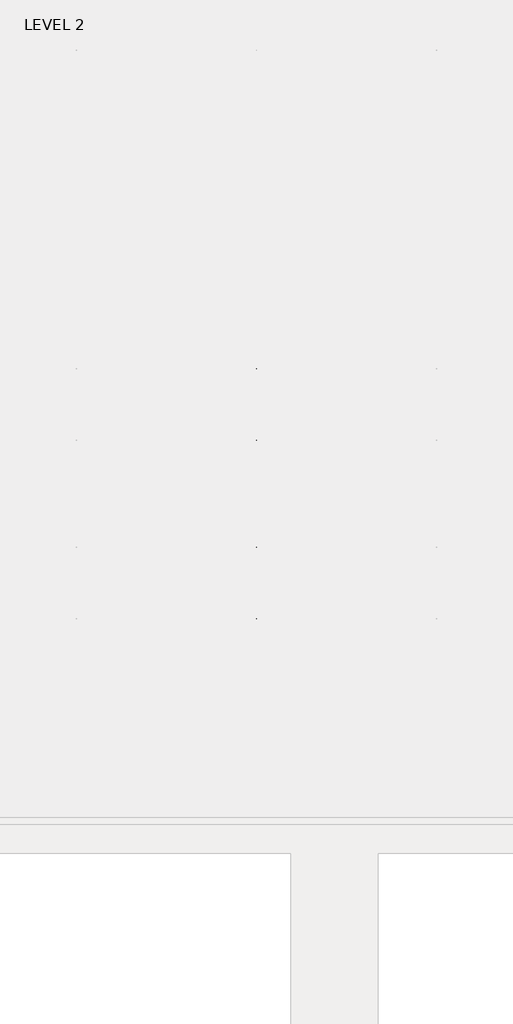
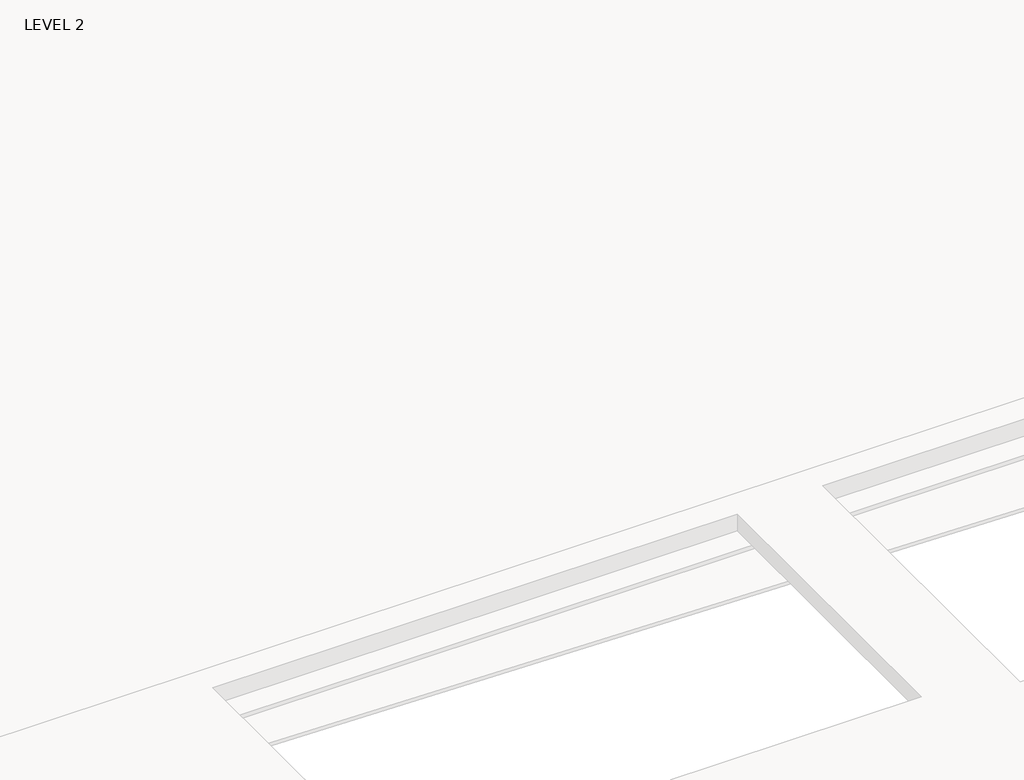
# One storey, part 54 of 67: 1 beam.
"""IFC4 building model written with IfcOpenShell, lengths in millimetres."""

from ifc_helpers import new_model, si_unit, frame, origin, place, context, project, spatial, polyline, outline, extrude, faceted_brep, element, save

model = new_model("IFC4")

# Units and contexts
model_context = context("Model", 3, world=origin())
ifc_project = project(units=[si_unit("LENGTHUNIT", "METRE", prefix="MILLI")], contexts=[model_context])

# Site, building, storey
site = spatial("IfcSite", under=ifc_project)
building = spatial("IfcBuilding", under=site)
storey = spatial("IfcBuildingStorey", under=building, Name="LEVEL 2", Elevation=6908.8)

# Beam
placement = place(None, origin())
element("IfcBeam", 1, ObjectType="K-Series Bar Joist-Angle Web : 12K3", at=placement, inside=storey, context=model_context, shape_type="SolidModel", body=[
    extrude(outline(polyline([(0.0, -9.525), (0.0, 0.0), (573.7533355, 0.0), (573.7533355, -9.525), (0.0, -9.525)])), frame((53750.3201342, -9604.1227945, 6274.1671734), z_axis=(0.0, -0.48308851527800273, 0.8755715198694479), x_axis=(0.0, -0.8755715198694479, -0.48308851527800273)), (0.0, 0.0, 1.0), 9.525),
    extrude(outline(polyline([(0.0, -9.525), (0.0, 0.0), (573.7533355, 0.0), (573.7533355, -9.525), (0.0, -9.525)])), frame((53740.7951342, -14433.5123055, 6174.0312759), z_axis=(0.0, 0.44637950228858414, 0.894843751688861), x_axis=(0.0, 0.894843751688861, -0.44637950228858414)), (0.0, 0.0, 1.0), 9.525),
    extrude(outline(polyline([(4.7625, 4.7625), (4.7625, -4.7625), (-4.7625, -4.7625), (-4.7625, 4.7625), (4.7625, 4.7625)])), frame((53745.5576342, -10108.7855836, 6001.1634358), z_axis=(0.0, 0.5271021201119526, 0.8498019504410923), x_axis=(-1.0, 0.0, 0.0)), (0.0, 0.0, 1.0), 317.9950191),
    extrude(outline(polyline([(4.7625, 4.7625), (4.7625, -4.7625001), (-4.7625, -4.7625001), (-4.7625, 4.7625), (4.7625, 4.7625)])), frame((53745.5576342, -13917.9668359, 5922.1812409), z_axis=(0.0, -0.5618747002661082, 0.8272223529383567), x_axis=(-1.0, 0.0, 0.0)), (0.0, 0.0, 1.0), 317.9950191),
    extrude(outline(polyline([(0.0, 0.0), (31.75, 0.0), (31.75, -6.35), (6.35, -6.35), (6.35, -31.75), (0.0, -31.75), (0.0, 0.0)])), frame((53750.3201342, -14019.4133656, 5913.7264136), z_axis=(0.0, 0.9997851055909517, 0.020730234887470715), x_axis=(1.0, 0.0, 0.0)), (0.0, 0.0, 1.0), 4013.2),
    extrude(outline(polyline([(-9.525, 0.0), (-9.525, -31.75), (-15.875, -31.75), (-15.875, -6.35), (-41.275, -6.35), (-41.275, 0.0), (-9.525, 0.0)])), frame((53750.3201342, -14019.4133656, 5913.7264136), z_axis=(0.0, 0.9997851055909517, 0.020730234887470715), x_axis=(1.0, 0.0, 0.0)), (0.0, 0.0, 1.0), 4013.2),
    extrude(outline(polyline([(-31.75, 0.0), (0.0, 0.0), (0.0, -6.35), (-25.4, -6.35), (-25.4, -31.75), (-31.75, -31.75), (-31.75, 0.0)])), frame((53782.0701342, -14532.3064049, 6144.4436003), z_axis=(0.0, 0.9997851055909517, 0.020730234887470715), x_axis=(1.0, 0.0, 0.0)), (0.0, 0.0, 1.0), 101.6),
    extrude(outline(polyline([(-41.275, 0.0), (-41.275, -31.75), (-47.625, -31.75), (-47.625, -6.35), (-73.025, -6.35), (-73.025, 0.0), (-41.275, 0.0)])), frame((53782.0701342, -14532.3064049, 6144.4436003), z_axis=(0.0, 0.9997851055909517, 0.020730234887470715), x_axis=(1.0, 0.0, 0.0)), (0.0, 0.0, 1.0), 101.6),
    extrude(outline(polyline([(0.0, 0.0), (31.75, 0.0), (31.75, -6.35), (6.35, -6.35), (6.35, -31.75), (0.0, -31.75), (0.0, 0.0)])), frame((53740.7951342, -9605.7653186, 6246.5939057), z_axis=(0.0, 0.9997851055909517, 0.020730234887470715), x_axis=(0.0, -0.020730234887470715, 0.9997851055909517)), (0.0, 0.0, 1.0), 101.6),
    extrude(outline(polyline([(0.0, 41.275), (6.35, 41.275), (6.35, 15.875), (31.75, 15.875), (31.75, 9.525), (0.0, 9.525), (0.0, 41.275)])), frame((53740.7951342, -9605.7653186, 6246.5939057), z_axis=(0.0, 0.9997851055909517, 0.020730234887470715), x_axis=(0.0, -0.020730234887470715, 0.9997851055909517)), (0.0, 0.0, 1.0), 101.6),
    extrude(outline(polyline([(0.0, 0.0), (31.75, 0.0), (31.75, -6.35), (6.35, -6.35), (6.35, -31.75), (0.0, -31.75), (0.0, 0.0)])), frame((53750.3201342, -14533.6227748, 6207.9299545), z_axis=(0.0, 0.9997851055909517, 0.020730234887470715), x_axis=(0.0, 0.020730234887470715, -0.9997851055909517)), (0.0, 0.0, 1.0), 5029.2),
    extrude(outline(polyline([(0.0, 9.525), (0.0, 41.275), (6.35, 41.275), (6.35, 15.875), (31.75, 15.875), (31.75, 9.525), (0.0, 9.525)])), frame((53750.3201342, -14533.6227748, 6207.9299545), z_axis=(0.0, 0.9997851055909517, 0.020730234887470715), x_axis=(0.0, 0.020730234887470715, -0.9997851055909517)), (0.0, 0.0, 1.0), 5029.2),
    faceted_brep([(53745.5576342, -10109.114676, 6017.0350244), (53745.5576342, -10108.7197651, 5997.9891181), (53740.7951342, -10108.7197651, 5997.9891181), (53740.7951342, -10109.114676, 6017.0350244), (53745.5576342, -10109.9510625, 6017.0176822), (53745.5576342, -10276.1904217, 6293.0308149), (53745.5576342, -10294.3999415, 6292.6532461), (53745.5576342, -10294.0050305, 6273.6073399), (53745.5576342, -10286.8200086, 6273.7563191), (53745.5576342, -10120.5806494, 5997.7431863), (53740.7951342, -10120.5806494, 5997.7431863), (53740.7951342, -10141.3605693, 6032.2448279), (53740.7951342, -10137.2808829, 6034.7019736), (53740.7951342, -10273.294904, 6260.5309003), (53740.7951342, -10277.3745905, 6258.0737547), (53740.7951342, -10286.8200086, 6273.7563191), (53740.7951342, -10294.0050305, 6273.6073399), (53740.7951342, -10294.3999415, 6292.6532461), (53740.7951342, -10276.1904217, 6293.0308149), (53740.7951342, -10109.9510625, 6017.0176822), (53728.0951342, -10277.3745905, 6258.0737547), (53728.0951342, -10141.3605693, 6032.2448279), (53728.0951342, -10137.2808829, 6034.7019736), (53728.0951342, -10273.294904, 6260.5309003)], [[[0, 1, 2, 3]], [[1, 0, 4, 5, 6, 7, 8, 9]], [[2, 1, 9, 10]], [[3, 2, 10, 11, 12, 13, 14, 15, 16, 17, 18, 19]], [[0, 3, 19, 4]], [[9, 8, 15, 14, 20, 21, 11, 10]], [[5, 4, 19, 18]], [[7, 6, 17, 16]], [[8, 7, 16, 15]], [[6, 5, 18, 17]], [[21, 22, 12, 11]], [[20, 14, 13, 23]], [[22, 21, 20, 23]], [[12, 22, 23, 13]]]),
    extrude(outline(polyline([(-10455.0089698, 5990.8089186), (-10455.4038808, 6009.8548248), (-10454.5674943, 6009.872167), (-10299.9121904, 6292.5389513), (-10281.7026706, 6292.9165201), (-10281.3077596, 6273.8706138), (-10288.4927815, 6273.7216346), (-10443.1480854, 5991.0548503), (-10455.0089698, 5990.8089186)])), frame((53745.5576342, 0.0, 0.0), z_axis=(1.0, 0.0, 0.0), x_axis=(0.0, 1.0, 0.0)), (0.0, 0.0, 1.0), 4.7625),
    extrude(outline(polyline([(-4.7625, 4.7625), (-4.7625, 0.0), (-17.4625, 0.0), (-17.4625, 4.7625), (-4.7625, 4.7625)])), frame((53745.5576342, -10423.8161725, 6026.3881984), z_axis=(0.0, 0.4799841217599757, 0.8772771756168657), x_axis=(-1.0, 0.0, 0.0)), (0.0, 0.0, 1.0), 263.6257159),
    faceted_brep([(53745.5576342, -13572.0067236, 5945.233029), (53745.5576342, -13571.6118126, 5926.1871227), (53740.7951342, -13571.6118126, 5926.1871227), (53740.7951342, -13572.0067236, 5945.233029), (53745.5576342, -13572.8431101, 5945.2156868), (53745.5576342, -13739.0824692, 6221.2288195), (53745.5576342, -13757.291989, 6220.8512507), (53745.5576342, -13756.897078, 6201.8053445), (53745.5576342, -13749.7120561, 6201.9543237), (53745.5576342, -13583.472697, 5925.941191), (53740.7951342, -13583.472697, 5925.941191), (53740.7951342, -13604.2526169, 5960.4428325), (53740.7951342, -13600.1729304, 5962.8999782), (53740.7951342, -13736.1869515, 6188.7289049), (53740.7951342, -13740.266638, 6186.2717593), (53740.7951342, -13749.7120561, 6201.9543237), (53740.7951342, -13756.897078, 6201.8053445), (53740.7951342, -13757.291989, 6220.8512507), (53740.7951342, -13739.0824692, 6221.2288195), (53740.7951342, -13572.8431101, 5945.2156868), (53728.0951342, -13740.266638, 6186.2717593), (53728.0951342, -13604.2526169, 5960.4428325), (53728.0951342, -13600.1729304, 5962.8999782), (53728.0951342, -13736.1869515, 6188.7289049)], [[[0, 1, 2, 3]], [[1, 0, 4, 5, 6, 7, 8, 9]], [[2, 1, 9, 10]], [[3, 2, 10, 11, 12, 13, 14, 15, 16, 17, 18, 19]], [[0, 3, 19, 4]], [[9, 8, 15, 14, 20, 21, 11, 10]], [[5, 4, 19, 18]], [[7, 6, 17, 16]], [[8, 7, 16, 15]], [[6, 5, 18, 17]], [[21, 22, 12, 11]], [[20, 14, 13, 23]], [[22, 21, 20, 23]], [[12, 22, 23, 13]]]),
    extrude(outline(polyline([(-13917.9010174, 5919.0069232), (-13918.2959283, 5938.0528295), (-13917.4595419, 5938.0701717), (-13762.804238, 6220.736956), (-13744.5947182, 6221.1145247), (-13744.1998072, 6202.0686185), (-13751.3848291, 6201.9196392), (-13906.040133, 5919.252855), (-13917.9010174, 5919.0069232)])), frame((53745.5576342, 0.0, 0.0), z_axis=(1.0, 0.0, 0.0), x_axis=(0.0, 1.0, 0.0)), (0.0, 0.0, 1.0), 4.7625),
    extrude(outline(polyline([(-4.7625, 4.7625001), (-4.7625, 0.0), (-17.4625, 0.0), (-17.4625, 4.7625001), (-4.7625, 4.7625001)])), frame((53745.5576342, -13886.70822, 5954.586203), z_axis=(0.0, 0.4799841217599757, 0.8772771756168657), x_axis=(-1.0, 0.0, 0.0)), (0.0, 0.0, 1.0), 263.6257159),
    faceted_brep([(53745.5576342, -10455.4038808, 6009.8548248), (53745.5576342, -10455.0089698, 5990.8089186), (53740.7951342, -10455.0089698, 5990.8089186), (53740.7951342, -10455.4038808, 6009.8548248), (53745.5576342, -10456.2402673, 6009.8374826), (53745.5576342, -10622.4796264, 6285.8506153), (53745.5576342, -10640.6891462, 6285.4730466), (53745.5576342, -10640.2942352, 6266.4271403), (53745.5576342, -10633.1092134, 6266.5761195), (53745.5576342, -10466.8698542, 5990.5629868), (53740.7951342, -10466.8698542, 5990.5629868), (53740.7951342, -10487.6497741, 6025.0646284), (53740.7951342, -10483.5700876, 6027.521774), (53740.7951342, -10619.5841088, 6253.3507008), (53740.7951342, -10623.6637952, 6250.8935552), (53740.7951342, -10633.1092134, 6266.5761195), (53740.7951342, -10640.2942352, 6266.4271403), (53740.7951342, -10640.6891462, 6285.4730466), (53740.7951342, -10622.4796264, 6285.8506153), (53740.7951342, -10456.2402673, 6009.8374826), (53728.0951342, -10623.6637952, 6250.8935552), (53728.0951342, -10487.6497741, 6025.0646284), (53728.0951342, -10483.5700876, 6027.521774), (53728.0951342, -10619.5841088, 6253.3507008)], [[[0, 1, 2, 3]], [[1, 0, 4, 5, 6, 7, 8, 9]], [[2, 1, 9, 10]], [[3, 2, 10, 11, 12, 13, 14, 15, 16, 17, 18, 19]], [[0, 3, 19, 4]], [[9, 8, 15, 14, 20, 21, 11, 10]], [[5, 4, 19, 18]], [[7, 6, 17, 16]], [[8, 7, 16, 15]], [[6, 5, 18, 17]], [[21, 22, 12, 11]], [[20, 14, 13, 23]], [[22, 21, 20, 23]], [[12, 22, 23, 13]]]),
    extrude(outline(polyline([(-10801.2981746, 5983.628719), (-10801.6930855, 6002.6746253), (-10800.8566991, 6002.6919675), (-10646.2013952, 6285.3587518), (-10627.9918754, 6285.7363206), (-10627.5969644, 6266.6904143), (-10634.7819863, 6266.5414351), (-10789.4372902, 5983.8746508), (-10801.2981746, 5983.628719)])), frame((53745.5576342, 0.0, 0.0), z_axis=(1.0, 0.0, 0.0), x_axis=(0.0, 1.0, 0.0)), (0.0, 0.0, 1.0), 4.7625),
    extrude(outline(polyline([(-4.7625, 4.7625001), (-4.7625, 0.0), (-17.4625, 0.0), (-17.4625, 4.7625001), (-4.7625, 4.7625001)])), frame((53745.5576342, -10770.1053772, 6019.2079988), z_axis=(0.0, 0.4799841217599757, 0.8772771756168657), x_axis=(-1.0, 0.0, 0.0)), (0.0, 0.0, 1.0), 263.6257159),
    faceted_brep([(53745.5576342, -10801.6930855, 6002.6746253), (53745.5576342, -10801.2981746, 5983.628719), (53740.7951342, -10801.2981746, 5983.628719), (53740.7951342, -10801.6930855, 6002.6746253), (53745.5576342, -10802.529472, 6002.6572831), (53745.5576342, -10968.7688312, 6278.6704158), (53745.5576342, -10986.978351, 6278.292847), (53745.5576342, -10986.58344, 6259.2469408), (53745.5576342, -10979.3984181, 6259.39592), (53745.5576342, -10813.1590589, 5983.3827873), (53740.7951342, -10813.1590589, 5983.3827873), (53740.7951342, -10833.9389788, 6017.8844289), (53740.7951342, -10829.8592924, 6020.3415745), (53740.7951342, -10965.8733135, 6246.1705013), (53740.7951342, -10969.953, 6243.7133556), (53740.7951342, -10979.3984181, 6259.39592), (53740.7951342, -10986.58344, 6259.2469408), (53740.7951342, -10986.978351, 6278.292847), (53740.7951342, -10968.7688312, 6278.6704158), (53740.7951342, -10802.529472, 6002.6572831), (53728.0951342, -10969.953, 6243.7133556), (53728.0951342, -10833.9389788, 6017.8844289), (53728.0951342, -10829.8592924, 6020.3415745), (53728.0951342, -10965.8733135, 6246.1705013)], [[[0, 1, 2, 3]], [[1, 0, 4, 5, 6, 7, 8, 9]], [[2, 1, 9, 10]], [[3, 2, 10, 11, 12, 13, 14, 15, 16, 17, 18, 19]], [[0, 3, 19, 4]], [[9, 8, 15, 14, 20, 21, 11, 10]], [[5, 4, 19, 18]], [[7, 6, 17, 16]], [[8, 7, 16, 15]], [[6, 5, 18, 17]], [[21, 22, 12, 11]], [[20, 14, 13, 23]], [[22, 21, 20, 23]], [[12, 22, 23, 13]]]),
    extrude(outline(polyline([(-11147.5873793, 5976.4485195), (-11147.9822903, 5995.4944258), (-11147.1459038, 5995.511768), (-10992.4905999, 6278.1785523), (-10974.2810801, 6278.556121), (-10973.8861692, 6259.5102148), (-10981.071191, 6259.3612356), (-11135.726495, 5976.6944513), (-11147.5873793, 5976.4485195)])), frame((53745.5576342, 0.0, 0.0), z_axis=(1.0, 0.0, 0.0), x_axis=(0.0, 1.0, 0.0)), (0.0, 0.0, 1.0), 4.7625),
    extrude(outline(polyline([(-4.7625, 4.7625), (-4.7625, 0.0), (-17.4625, 0.0), (-17.4625, 4.7625), (-4.7625, 4.7625)])), frame((53745.5576342, -11116.394582, 6012.0277993), z_axis=(0.0, 0.4799841217599757, 0.8772771756168657), x_axis=(-1.0, 0.0, 0.0)), (0.0, 0.0, 1.0), 263.6257159),
    faceted_brep([(53745.5576342, -11147.9822903, 5995.4944258), (53745.5576342, -11147.5873793, 5976.4485195), (53740.7951342, -11147.5873793, 5976.4485195), (53740.7951342, -11147.9822903, 5995.4944258), (53745.5576342, -11148.8186768, 5995.4770835), (53745.5576342, -11315.0580359, 6271.4902163), (53745.5576342, -11333.2675557, 6271.1126475), (53745.5576342, -11332.8726448, 6252.0667412), (53745.5576342, -11325.6876229, 6252.2157204), (53745.5576342, -11159.4482637, 5976.2025877), (53740.7951342, -11159.4482637, 5976.2025877), (53740.7951342, -11180.2281836, 6010.7042293), (53740.7951342, -11176.1484971, 6013.1613749), (53740.7951342, -11312.1625183, 6238.9903017), (53740.7951342, -11316.2422047, 6236.5331561), (53740.7951342, -11325.6876229, 6252.2157204), (53740.7951342, -11332.8726448, 6252.0667412), (53740.7951342, -11333.2675557, 6271.1126475), (53740.7951342, -11315.0580359, 6271.4902163), (53740.7951342, -11148.8186768, 5995.4770835), (53728.0951342, -11316.2422047, 6236.5331561), (53728.0951342, -11180.2281836, 6010.7042293), (53728.0951342, -11176.1484971, 6013.1613749), (53728.0951342, -11312.1625183, 6238.9903017)], [[[0, 1, 2, 3]], [[1, 0, 4, 5, 6, 7, 8, 9]], [[2, 1, 9, 10]], [[3, 2, 10, 11, 12, 13, 14, 15, 16, 17, 18, 19]], [[0, 3, 19, 4]], [[9, 8, 15, 14, 20, 21, 11, 10]], [[5, 4, 19, 18]], [[7, 6, 17, 16]], [[8, 7, 16, 15]], [[6, 5, 18, 17]], [[21, 22, 12, 11]], [[20, 14, 13, 23]], [[22, 21, 20, 23]], [[12, 22, 23, 13]]]),
    extrude(outline(polyline([(-11493.8765841, 5969.26832), (-11494.2714951, 5988.3142262), (-11493.4351086, 5988.3315684), (-11338.7798047, 6270.9983527), (-11320.5702849, 6271.3759215), (-11320.1753739, 6252.3300152), (-11327.3603958, 6252.181036), (-11482.0156997, 5969.5142517), (-11493.8765841, 5969.26832)])), frame((53745.5576342, 0.0, 0.0), z_axis=(1.0, 0.0, 0.0), x_axis=(0.0, 1.0, 0.0)), (0.0, 0.0, 1.0), 4.7625),
    extrude(outline(polyline([(-4.7625, 4.7625), (-4.7625, 0.0), (-17.4625, 0.0), (-17.4625, 4.7625), (-4.7625, 4.7625)])), frame((53745.5576342, -11462.6837867, 6004.8475998), z_axis=(0.0, 0.4799841217599757, 0.8772771756168657), x_axis=(-1.0, 0.0, 0.0)), (0.0, 0.0, 1.0), 263.6257159),
    faceted_brep([(53745.5576342, -11494.2714951, 5988.3142262), (53745.5576342, -11493.8765841, 5969.26832), (53740.7951342, -11493.8765841, 5969.26832), (53740.7951342, -11494.2714951, 5988.3142262), (53745.5576342, -11495.1078815, 5988.296884), (53745.5576342, -11661.3472407, 6264.3100167), (53745.5576342, -11679.5567605, 6263.932448), (53745.5576342, -11679.1618495, 6244.8865417), (53745.5576342, -11671.9768276, 6245.0355209), (53745.5576342, -11505.7374685, 5969.0223882), (53740.7951342, -11505.7374685, 5969.0223882), (53740.7951342, -11526.5173883, 6003.5240298), (53740.7951342, -11522.4377019, 6005.9811754), (53740.7951342, -11658.451723, 6231.8101022), (53740.7951342, -11662.5314095, 6229.3529565), (53740.7951342, -11671.9768276, 6245.0355209), (53740.7951342, -11679.1618495, 6244.8865417), (53740.7951342, -11679.5567605, 6263.932448), (53740.7951342, -11661.3472407, 6264.3100167), (53740.7951342, -11495.1078815, 5988.296884), (53728.0951342, -11662.5314095, 6229.3529565), (53728.0951342, -11526.5173883, 6003.5240298), (53728.0951342, -11522.4377019, 6005.9811754), (53728.0951342, -11658.451723, 6231.8101022)], [[[0, 1, 2, 3]], [[1, 0, 4, 5, 6, 7, 8, 9]], [[2, 1, 9, 10]], [[3, 2, 10, 11, 12, 13, 14, 15, 16, 17, 18, 19]], [[0, 3, 19, 4]], [[9, 8, 15, 14, 20, 21, 11, 10]], [[5, 4, 19, 18]], [[7, 6, 17, 16]], [[8, 7, 16, 15]], [[6, 5, 18, 17]], [[21, 22, 12, 11]], [[20, 14, 13, 23]], [[22, 21, 20, 23]], [[12, 22, 23, 13]]]),
    extrude(outline(polyline([(-11840.1657888, 5962.0881204), (-11840.5606998, 5981.1340267), (-11839.7243133, 5981.1513689), (-11685.0690094, 6263.8181532), (-11666.8594896, 6264.1957219), (-11666.4645787, 6245.1498157), (-11673.6496006, 6245.0008365), (-11828.3049045, 5962.3340522), (-11840.1657888, 5962.0881204)])), frame((53745.5576342, 0.0, 0.0), z_axis=(1.0, 0.0, 0.0), x_axis=(0.0, 1.0, 0.0)), (0.0, 0.0, 1.0), 4.7625),
    extrude(outline(polyline([(-4.7625, 4.7625), (-4.7625, 0.0), (-17.4625, 0.0), (-17.4625, 4.7625), (-4.7625, 4.7625)])), frame((53745.5576342, -11808.9729915, 5997.6674002), z_axis=(0.0, 0.4799841217599757, 0.8772771756168657), x_axis=(-1.0, 0.0, 0.0)), (0.0, 0.0, 1.0), 263.6257159),
    faceted_brep([(53745.5576342, -11840.5606998, 5981.1340267), (53745.5576342, -11840.1657888, 5962.0881204), (53740.7951342, -11840.1657888, 5962.0881204), (53740.7951342, -11840.5606998, 5981.1340267), (53745.5576342, -11841.3970863, 5981.1166845), (53745.5576342, -12007.6364454, 6257.1298172), (53745.5576342, -12025.8459652, 6256.7522484), (53745.5576342, -12025.4510543, 6237.7063422), (53745.5576342, -12018.2660324, 6237.8553214), (53745.5576342, -11852.0266732, 5961.8421887), (53740.7951342, -11852.0266732, 5961.8421887), (53740.7951342, -11872.8065931, 5996.3438302), (53740.7951342, -11868.7269066, 5998.8009759), (53740.7951342, -12004.7409278, 6224.6299026), (53740.7951342, -12008.8206142, 6222.172757), (53740.7951342, -12018.2660324, 6237.8553214), (53740.7951342, -12025.4510543, 6237.7063422), (53740.7951342, -12025.8459652, 6256.7522484), (53740.7951342, -12007.6364454, 6257.1298172), (53740.7951342, -11841.3970863, 5981.1166845), (53728.0951342, -12008.8206142, 6222.172757), (53728.0951342, -11872.8065931, 5996.3438302), (53728.0951342, -11868.7269066, 5998.8009759), (53728.0951342, -12004.7409278, 6224.6299026)], [[[0, 1, 2, 3]], [[1, 0, 4, 5, 6, 7, 8, 9]], [[2, 1, 9, 10]], [[3, 2, 10, 11, 12, 13, 14, 15, 16, 17, 18, 19]], [[0, 3, 19, 4]], [[9, 8, 15, 14, 20, 21, 11, 10]], [[5, 4, 19, 18]], [[7, 6, 17, 16]], [[8, 7, 16, 15]], [[6, 5, 18, 17]], [[21, 22, 12, 11]], [[20, 14, 13, 23]], [[22, 21, 20, 23]], [[12, 22, 23, 13]]]),
    extrude(outline(polyline([(-12186.4549936, 5954.9079209), (-12186.8499046, 5973.9538271), (-12186.0135181, 5973.9711694), (-12031.3582142, 6256.6379536), (-12013.1486944, 6257.0155224), (-12012.7537834, 6237.9696161), (-12019.9388053, 6237.8206369), (-12174.5941092, 5955.1538527), (-12186.4549936, 5954.9079209)])), frame((53745.5576342, 0.0, 0.0), z_axis=(1.0, 0.0, 0.0), x_axis=(0.0, 1.0, 0.0)), (0.0, 0.0, 1.0), 4.7625),
    extrude(outline(polyline([(-4.7625, 4.7625001), (-4.7625, 0.0), (-17.4625, 0.0), (-17.4625, 4.7625001), (-4.7625, 4.7625001)])), frame((53745.5576342, -12155.2621962, 5990.4872007), z_axis=(0.0, 0.4799841217599757, 0.8772771756168657), x_axis=(-1.0, 0.0, 0.0)), (0.0, 0.0, 1.0), 263.6257159),
    faceted_brep([(53745.5576342, -12186.8499046, 5973.9538271), (53745.5576342, -12186.4549936, 5954.9079209), (53740.7951342, -12186.4549936, 5954.9079209), (53740.7951342, -12186.8499046, 5973.9538271), (53745.5576342, -12187.686291, 5973.9364849), (53745.5576342, -12353.9256502, 6249.9496176), (53745.5576342, -12372.13517, 6249.5720489), (53745.5576342, -12371.740259, 6230.5261426), (53745.5576342, -12364.5552371, 6230.6751218), (53745.5576342, -12198.315878, 5954.6619891), (53740.7951342, -12198.315878, 5954.6619891), (53740.7951342, -12219.0957979, 5989.1636307), (53740.7951342, -12215.0161114, 5991.6207763), (53740.7951342, -12351.0301325, 6217.4497031), (53740.7951342, -12355.109819, 6214.9925575), (53740.7951342, -12364.5552371, 6230.6751218), (53740.7951342, -12371.740259, 6230.5261426), (53740.7951342, -12372.13517, 6249.5720489), (53740.7951342, -12353.9256502, 6249.9496176), (53740.7951342, -12187.686291, 5973.9364849), (53728.0951342, -12355.109819, 6214.9925575), (53728.0951342, -12219.0957979, 5989.1636307), (53728.0951342, -12215.0161114, 5991.6207763), (53728.0951342, -12351.0301325, 6217.4497031)], [[[0, 1, 2, 3]], [[1, 0, 4, 5, 6, 7, 8, 9]], [[2, 1, 9, 10]], [[3, 2, 10, 11, 12, 13, 14, 15, 16, 17, 18, 19]], [[0, 3, 19, 4]], [[9, 8, 15, 14, 20, 21, 11, 10]], [[5, 4, 19, 18]], [[7, 6, 17, 16]], [[8, 7, 16, 15]], [[6, 5, 18, 17]], [[21, 22, 12, 11]], [[20, 14, 13, 23]], [[22, 21, 20, 23]], [[12, 22, 23, 13]]]),
    extrude(outline(polyline([(-12532.7441983, 5947.7277213), (-12533.1391093, 5966.7736276), (-12532.3027228, 5966.7909698), (-12377.6474189, 6249.4577541), (-12359.4378991, 6249.8353229), (-12359.0429882, 6230.7894166), (-12366.2280101, 6230.6404374), (-12520.883314, 5947.9736531), (-12532.7441983, 5947.7277213)])), frame((53745.5576342, 0.0, 0.0), z_axis=(1.0, 0.0, 0.0), x_axis=(0.0, 1.0, 0.0)), (0.0, 0.0, 1.0), 4.7625),
    extrude(outline(polyline([(-4.7625, 4.7625), (-4.7625, 0.0), (-17.4625, 0.0), (-17.4625, 4.7625), (-4.7625, 4.7625)])), frame((53745.5576342, -12501.551401, 5983.3070011), z_axis=(0.0, 0.4799841217599757, 0.8772771756168657), x_axis=(-1.0, 0.0, 0.0)), (0.0, 0.0, 1.0), 263.6257159),
    faceted_brep([(53745.5576342, -12533.1391093, 5966.7736276), (53745.5576342, -12532.7441983, 5947.7277213), (53740.7951342, -12532.7441983, 5947.7277213), (53740.7951342, -12533.1391093, 5966.7736276), (53745.5576342, -12533.9754958, 5966.7562854), (53745.5576342, -12700.214855, 6242.7694181), (53745.5576342, -12718.4243747, 6242.3918493), (53745.5576342, -12718.0294638, 6223.3459431), (53745.5576342, -12710.8444419, 6223.4949223), (53745.5576342, -12544.6050827, 5947.4817896), (53740.7951342, -12544.6050827, 5947.4817896), (53740.7951342, -12565.3850026, 5981.9834312), (53740.7951342, -12561.3053162, 5984.4405768), (53740.7951342, -12697.3193373, 6210.2695036), (53740.7951342, -12701.3990237, 6207.8123579), (53740.7951342, -12710.8444419, 6223.4949223), (53740.7951342, -12718.0294638, 6223.3459431), (53740.7951342, -12718.4243747, 6242.3918493), (53740.7951342, -12700.214855, 6242.7694181), (53740.7951342, -12533.9754958, 5966.7562854), (53728.0951342, -12701.3990237, 6207.8123579), (53728.0951342, -12565.3850026, 5981.9834312), (53728.0951342, -12561.3053162, 5984.4405768), (53728.0951342, -12697.3193373, 6210.2695036)], [[[0, 1, 2, 3]], [[1, 0, 4, 5, 6, 7, 8, 9]], [[2, 1, 9, 10]], [[3, 2, 10, 11, 12, 13, 14, 15, 16, 17, 18, 19]], [[0, 3, 19, 4]], [[9, 8, 15, 14, 20, 21, 11, 10]], [[5, 4, 19, 18]], [[7, 6, 17, 16]], [[8, 7, 16, 15]], [[6, 5, 18, 17]], [[21, 22, 12, 11]], [[20, 14, 13, 23]], [[22, 21, 20, 23]], [[12, 22, 23, 13]]]),
    extrude(outline(polyline([(-12879.0334031, 5940.5475218), (-12879.4283141, 5959.5934281), (-12878.5919276, 5959.6107703), (-12723.9366237, 6242.2775546), (-12705.7271039, 6242.6551233), (-12705.3321929, 6223.6092171), (-12712.5172148, 6223.4602379), (-12867.1725187, 5940.7934536), (-12879.0334031, 5940.5475218)])), frame((53745.5576342, 0.0, 0.0), z_axis=(1.0, 0.0, 0.0), x_axis=(0.0, 1.0, 0.0)), (0.0, 0.0, 1.0), 4.7625),
    extrude(outline(polyline([(-4.7625, 4.7625001), (-4.7625, 0.0), (-17.4625, 0.0), (-17.4625, 4.7625001), (-4.7625, 4.7625001)])), frame((53745.5576342, -12847.8406057, 5976.1268016), z_axis=(0.0, 0.4799841217599757, 0.8772771756168657), x_axis=(-1.0, 0.0, 0.0)), (0.0, 0.0, 1.0), 263.6257159),
    faceted_brep([(53745.5576342, -12879.4283141, 5959.5934281), (53745.5576342, -12879.0334031, 5940.5475218), (53740.7951342, -12879.0334031, 5940.5475218), (53740.7951342, -12879.4283141, 5959.5934281), (53745.5576342, -12880.2647005, 5959.5760859), (53745.5576342, -13046.5040597, 6235.5892186), (53745.5576342, -13064.7135795, 6235.2116498), (53745.5576342, -13064.3186685, 6216.1657435), (53745.5576342, -13057.1336466, 6216.3147228), (53745.5576342, -12890.8942875, 5940.30159), (53740.7951342, -12890.8942875, 5940.30159), (53740.7951342, -12911.6742074, 5974.8032316), (53740.7951342, -12907.5945209, 5977.2603773), (53740.7951342, -13043.608542, 6203.089304), (53740.7951342, -13047.6882285, 6200.6321584), (53740.7951342, -13057.1336466, 6216.3147228), (53740.7951342, -13064.3186685, 6216.1657435), (53740.7951342, -13064.7135795, 6235.2116498), (53740.7951342, -13046.5040597, 6235.5892186), (53740.7951342, -12880.2647005, 5959.5760859), (53728.0951342, -13047.6882285, 6200.6321584), (53728.0951342, -12911.6742074, 5974.8032316), (53728.0951342, -12907.5945209, 5977.2603773), (53728.0951342, -13043.608542, 6203.089304)], [[[0, 1, 2, 3]], [[1, 0, 4, 5, 6, 7, 8, 9]], [[2, 1, 9, 10]], [[3, 2, 10, 11, 12, 13, 14, 15, 16, 17, 18, 19]], [[0, 3, 19, 4]], [[9, 8, 15, 14, 20, 21, 11, 10]], [[5, 4, 19, 18]], [[7, 6, 17, 16]], [[8, 7, 16, 15]], [[6, 5, 18, 17]], [[21, 22, 12, 11]], [[20, 14, 13, 23]], [[22, 21, 20, 23]], [[12, 22, 23, 13]]]),
    extrude(outline(polyline([(-13225.3226079, 5933.3673223), (-13225.7175188, 5952.4132285), (-13224.8811324, 5952.4305707), (-13070.2258284, 6235.097355), (-13052.0163087, 6235.4749238), (-13051.6213977, 6216.4290175), (-13058.8064196, 6216.2800383), (-13213.4617235, 5933.613254), (-13225.3226079, 5933.3673223)])), frame((53745.5576342, 0.0, 0.0), z_axis=(1.0, 0.0, 0.0), x_axis=(0.0, 1.0, 0.0)), (0.0, 0.0, 1.0), 4.7625),
    extrude(outline(polyline([(-4.7625, 4.7625), (-4.7625, 0.0), (-17.4625, 0.0), (-17.4625, 4.7625), (-4.7625, 4.7625)])), frame((53745.5576342, -13194.1298105, 5968.9466021), z_axis=(0.0, 0.4799841217599757, 0.8772771756168657), x_axis=(-1.0, 0.0, 0.0)), (0.0, 0.0, 1.0), 263.6257159),
    faceted_brep([(53745.5576342, -13225.7175188, 5952.4132285), (53745.5576342, -13225.3226079, 5933.3673223), (53740.7951342, -13225.3226079, 5933.3673223), (53740.7951342, -13225.7175188, 5952.4132285), (53745.5576342, -13226.5539053, 5952.3958863), (53745.5576342, -13392.7932645, 6228.409019), (53745.5576342, -13411.0027843, 6228.0314503), (53745.5576342, -13410.6078733, 6208.985544), (53745.5576342, -13403.4228514, 6209.1345232), (53745.5576342, -13237.1834922, 5933.1213905), (53740.7951342, -13237.1834922, 5933.1213905), (53740.7951342, -13257.9634121, 5967.6230321), (53740.7951342, -13253.8837257, 5970.0801777), (53740.7951342, -13389.8977468, 6195.9091045), (53740.7951342, -13393.9774333, 6193.4519589), (53740.7951342, -13403.4228514, 6209.1345232), (53740.7951342, -13410.6078733, 6208.985544), (53740.7951342, -13411.0027843, 6228.0314503), (53740.7951342, -13392.7932645, 6228.409019), (53740.7951342, -13226.5539053, 5952.3958863), (53728.0951342, -13393.9774333, 6193.4519589), (53728.0951342, -13257.9634121, 5967.6230321), (53728.0951342, -13253.8837257, 5970.0801777), (53728.0951342, -13389.8977468, 6195.9091045)], [[[0, 1, 2, 3]], [[1, 0, 4, 5, 6, 7, 8, 9]], [[2, 1, 9, 10]], [[3, 2, 10, 11, 12, 13, 14, 15, 16, 17, 18, 19]], [[0, 3, 19, 4]], [[9, 8, 15, 14, 20, 21, 11, 10]], [[5, 4, 19, 18]], [[7, 6, 17, 16]], [[8, 7, 16, 15]], [[6, 5, 18, 17]], [[21, 22, 12, 11]], [[20, 14, 13, 23]], [[22, 21, 20, 23]], [[12, 22, 23, 13]]]),
    extrude(outline(polyline([(-13571.6118126, 5926.1871227), (-13572.0067236, 5945.233029), (-13571.1703371, 5945.2503712), (-13416.5150332, 6227.9171555), (-13398.3055134, 6228.2947243), (-13397.9106024, 6209.248818), (-13405.0956243, 6209.0998388), (-13559.7509282, 5926.4330545), (-13571.6118126, 5926.1871227)])), frame((53745.5576342, 0.0, 0.0), z_axis=(1.0, 0.0, 0.0), x_axis=(0.0, 1.0, 0.0)), (0.0, 0.0, 1.0), 4.7625),
    extrude(outline(polyline([(-4.7625, 4.7625001), (-4.7625, 0.0), (-17.4625, 0.0), (-17.4625, 4.7625001), (-4.7625, 4.7625001)])), frame((53745.5576342, -13540.4190152, 5961.7664025), z_axis=(0.0, 0.4799841217599757, 0.8772771756168657), x_axis=(-1.0, 0.0, 0.0)), (0.0, 0.0, 1.0), 263.6257159),
])

save(model, "model.ifc")
